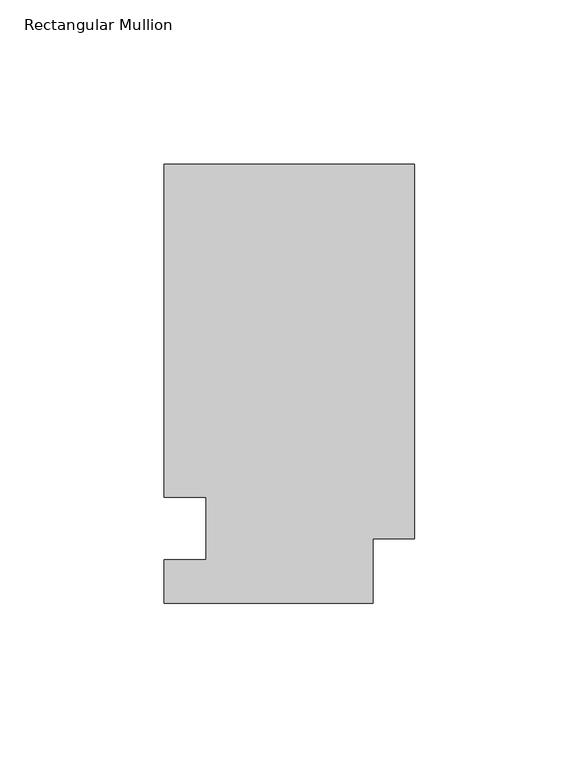
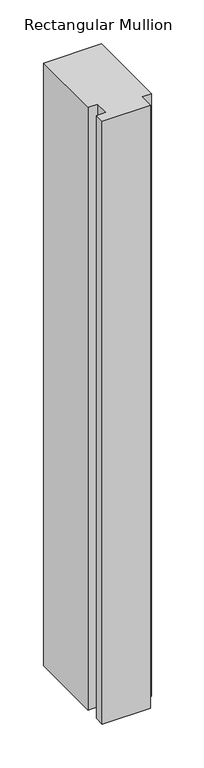
"""IFC4 building model written with IfcOpenShell, lengths in millimetres: member geometry, Rectangular Mullion."""

from ifc_helpers import new_model, si_unit, frame, origin, place, context, project, spatial, polyline, outline, extrude, source, transform, mapped, element, save


def rectangular_mullion_993cf412(model_context):
    return source(origin(), model_context, "Body", "SweptSolid", [
        extrude(outline(polyline([(0.0, 133.4396937), (0.0, 19.5460937), (-12.7, 19.5460937), (-12.7, 0.0134937), (-76.2, 0.0134937), (-76.2, 13.1960937), (-63.5, 13.1960937), (-63.5, 32.2460938), (-76.2, 32.2460937), (-76.2, 133.4396937), (0.0, 133.4396937)])), frame((0.0, 0.0, -838.2), z_axis=(0.0, 0.0, 1.0), x_axis=(1.0, 0.0, 0.0)), (0.0, 0.0, 1.0), 838.2),
    ])


if __name__ == "__main__":
    model = new_model("IFC4")
    model_context = context("Model", 3, world=origin())
    ifc_project = project(units=[si_unit("LENGTHUNIT", "METRE", prefix="MILLI")], contexts=[model_context])
    site = spatial("IfcSite", under=ifc_project)
    building = spatial("IfcBuilding", under=site)
    placement = place(None, origin())
    rectangular_mullion_shape = rectangular_mullion_993cf412(model_context)
    element("IfcMember", 1, ObjectType="Rectangular Mullion", at=placement, inside=building, context=model_context, shape_type="MappedRepresentation", body=[
        mapped(rectangular_mullion_shape, transform((0.0, 0.0, 0.0), x_axis=(1.0, 0.0, 0.0), y_axis=(0.0, 1.0, 0.0), z_axis=(0.0, 0.0, 1.0))),
    ])
    save(model, "model.ifc")
